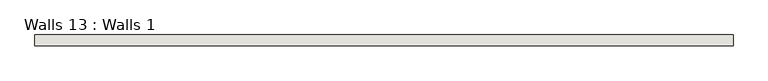
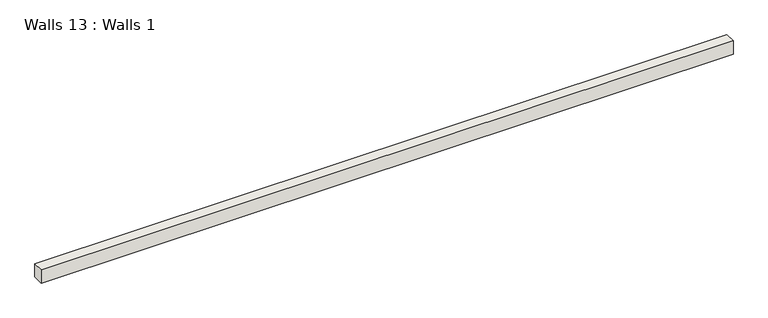
"""IFC4 building model written with IfcOpenShell, lengths in millimetres: wall geometry, Walls 13 : Walls 1."""

from ifc_helpers import new_model, si_unit, frame, origin, place, context, project, spatial, polyline, outline, extrude, source, transform, mapped, element, save


def walls_13_walls_1_06773019(model_context):
    return source(origin(), model_context, "Body", "SweptSolid", [
        extrude(outline(polyline([(1494.8594388, 2219.86362), (1494.8594388, 2257.96362), (3984.0594388, 2257.96362), (3984.0594388, 2219.86362), (1494.8594388, 2219.86362)])), frame((0.0, 0.0, 279.4568966), z_axis=(0.0, 0.0, 1.0), x_axis=(1.0, 0.0, 0.0)), (0.0, 0.0, 1.0), 50.8),
    ])


if __name__ == "__main__":
    model = new_model("IFC4")
    model_context = context("Model", 3, world=origin())
    ifc_project = project(units=[si_unit("LENGTHUNIT", "METRE", prefix="MILLI")], contexts=[model_context])
    site = spatial("IfcSite", under=ifc_project)
    building = spatial("IfcBuilding", under=site)
    placement = place(None, origin())
    walls_13_walls_1_shape = walls_13_walls_1_06773019(model_context)
    element("IfcWall", 1, ObjectType="Walls 13 : Walls 1", at=placement, inside=building, context=model_context, shape_type="MappedRepresentation", body=[
        mapped(walls_13_walls_1_shape, transform((0.0, 0.0, 0.0), x_axis=(1.0, 0.0, 0.0), y_axis=(0.0, 1.0, 0.0), z_axis=(0.0, 0.0, 1.0))),
    ])
    save(model, "model.ifc")
